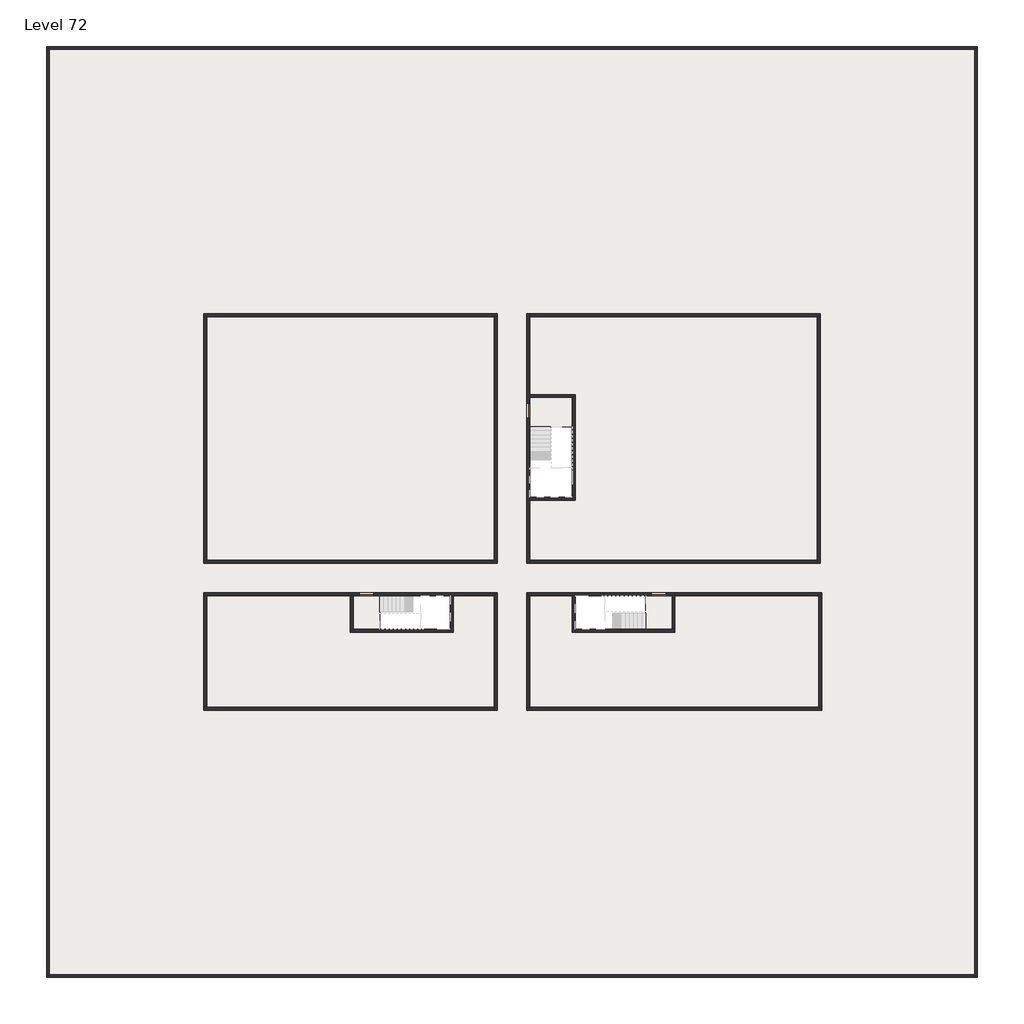
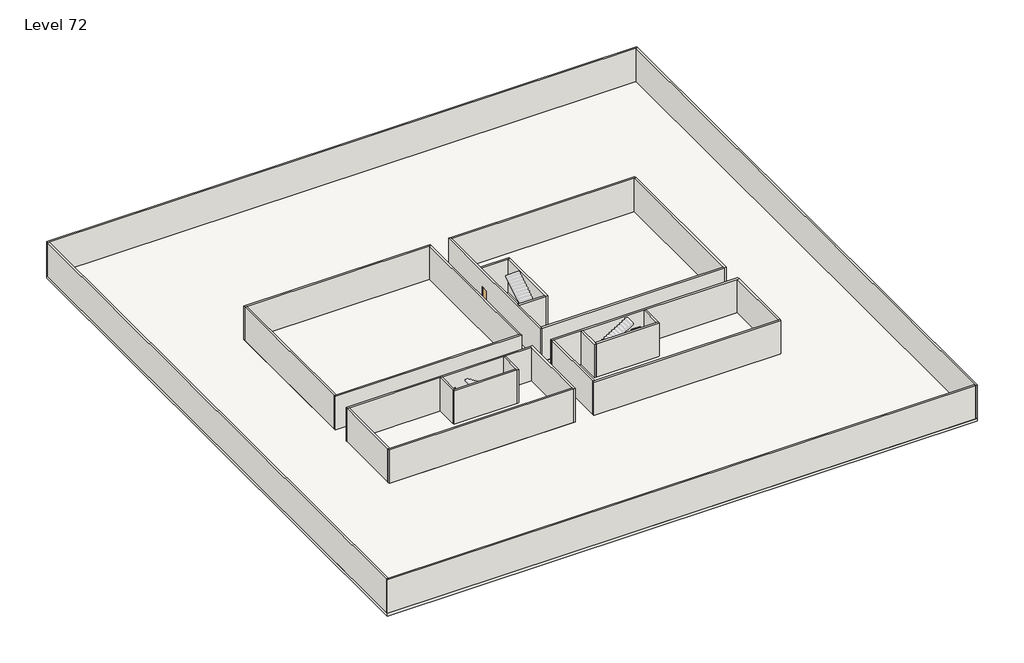
# One storey, part 1 of 2: 29 walls, 3 doors, 3 slabs.
"""IFC4 building model written with IfcOpenShell, lengths in millimetres."""

import ifcopenshell
import ifcopenshell.guid

model = None  # the IFC model being written
_history = None  # IfcOwnerHistory: only IFC2X3 demands one
_inside = {}  # id of a spatial element -> (the spatial element, [elements in it])
_under = {}  # id of a project, library or spatial element -> (it, [spatial elements below it])
_declared = {}  # id of a project -> (the project, [libraries it declares])
_typed = {}  # id of a type object -> (the type object, [elements of that type])
_made_of = {}  # id of a material, layer set ... -> (it, [elements and type objects made of it])


def new_model(schema):
    """Start an empty IFC model of exactly this schema.

    Asked for "IFC4X3", IfcOpenShell would pick the latest addendum, in which some entities
    have other attributes; the version numbers below select the first issue.
    IFC2X3 requires an IfcOwnerHistory on every rooted entity: one is made here for all.
    """
    global model, _history
    if schema == "IFC4X3":
        model = ifcopenshell.file(schema_version=(4, 3, 0, 0))
    else:
        model = ifcopenshell.file(schema=schema)
    _inside.clear()
    _under.clear()
    _declared.clear()
    _typed.clear()
    _made_of.clear()
    _history = None
    if model.schema == "IFC2X3":
        org = make("IfcOrganization", Name="unknown")
        user = make(
            "IfcPersonAndOrganization",
            ThePerson=make("IfcPerson", FamilyName="unknown"),
            TheOrganization=org,
        )
        app = make(
            "IfcApplication",
            ApplicationDeveloper=org,
            Version="unknown",
            ApplicationFullName="unknown",
            ApplicationIdentifier="unknown",
        )
        _history = make(
            "IfcOwnerHistory",
            OwningUser=user,
            OwningApplication=app,
            ChangeAction="ADDED",
            CreationDate=0,
        )
    return model


def make(cls, **values):
    """One entity of the class cls with the attributes given. An attribute that is None is left unset."""
    return model.create_entity(
        cls, **{name: value for name, value in values.items() if value is not None}
    )


def rooted(cls, **values):
    """An entity with a GlobalId (a new one), such as an element, a storey or a relation."""
    return make(cls, GlobalId=ifcopenshell.guid.new(), OwnerHistory=_history, **values)


def si_unit(unit_type, name, prefix=None):
    """IfcSIUnit, for example si_unit("LENGTHUNIT", "METRE", prefix="MILLI")."""
    return make("IfcSIUnit", UnitType=unit_type, Prefix=prefix, Name=name)


def assignment(units):
    """IfcUnitAssignment: the units of a project."""
    return None if units is None else make("IfcUnitAssignment", Units=units)


def point(xyz):
    """IfcCartesianPoint."""
    return None if xyz is None else make("IfcCartesianPoint", Coordinates=xyz)


def direction(xyz):
    """IfcDirection."""
    return None if xyz is None else make("IfcDirection", DirectionRatios=xyz)


def frame(location, z_axis=None, x_axis=None):
    """IfcAxis2Placement3D, a coordinate frame: its origin and axes. An axis left out is left unset."""
    return make(
        "IfcAxis2Placement3D",
        Location=point(location),
        Axis=direction(z_axis),
        RefDirection=direction(x_axis),
    )


def origin():
    """The frame at (0, 0, 0) with its axes left unset."""
    return frame((0.0, 0.0, 0.0))


def origin_with_axes():
    """The frame at (0, 0, 0) with the z axis (0, 0, 1) and the x axis (1, 0, 0) written out."""
    return frame((0.0, 0.0, 0.0), z_axis=(0.0, 0.0, 1.0), x_axis=(1.0, 0.0, 0.0))


def place(relative_to, where):
    """IfcLocalPlacement: puts the frame where relative to a parent placement (None: the world)."""
    return make(
        "IfcLocalPlacement", PlacementRelTo=relative_to, RelativePlacement=where
    )


def context(
    kind, dimensions, precision=None, world=None, true_north=None, identifier=None
):
    """IfcGeometricRepresentationContext, for example the 3D "Model" context."""
    return make(
        "IfcGeometricRepresentationContext",
        ContextIdentifier=identifier,
        ContextType=kind,
        CoordinateSpaceDimension=dimensions,
        Precision=precision,
        WorldCoordinateSystem=world,
        TrueNorth=true_north,
    )


def project(units=None, contexts=None):
    """IfcProject with its units and contexts."""
    return rooted(
        "IfcProject",
        Name="project",
        RepresentationContexts=contexts,
        UnitsInContext=assignment(units),
    )


def spatial(cls, under=None, at=None, **own):
    """A site, building, storey or space (cls), placed at a placement, below another one or the project."""
    s = rooted(cls, ObjectPlacement=at, **own)
    if under is not None:
        _under.setdefault(under.id(), (under, []))[1].append(s)
    return s


def polyline(points):
    """IfcPolyline through the points."""
    return make("IfcPolyline", Points=[point(p) for p in points])


def outline(outer, holes=None, kind="AREA"):
    """IfcArbitraryClosedProfileDef: a profile drawn as a closed curve; with holes, ...WithVoids."""
    if holes is None:
        return make("IfcArbitraryClosedProfileDef", ProfileType=kind, OuterCurve=outer)
    return make(
        "IfcArbitraryProfileDefWithVoids",
        ProfileType=kind,
        OuterCurve=outer,
        InnerCurves=holes,
    )


def extrude(swept, where, along, depth):
    """IfcExtrudedAreaSolid: the profile swept, set in the frame where, extruded along a direction by depth."""
    return make(
        "IfcExtrudedAreaSolid",
        SweptArea=swept,
        Position=where,
        ExtrudedDirection=direction(along),
        Depth=depth,
    )


def faces_of(points, faces, orient=None, outer=None):
    """IfcFace entities. A face is a list of loops; a loop is a list of indices into points, from 0.

    orient and outer hold one flag for each loop. By default every Orientation is true, the
    first loop of a face is its IfcFaceOuterBound and the others are IfcFaceBound.
    """
    made = []
    for i, loops in enumerate(faces):
        bounds = []
        for j, loop in enumerate(loops):
            is_outer = j == 0 if outer is None else outer[i][j]
            bounds.append(
                make(
                    "IfcFaceOuterBound" if is_outer else "IfcFaceBound",
                    Bound=make("IfcPolyLoop", Polygon=[points[k] for k in loop]),
                    Orientation=True if orient is None else orient[i][j],
                )
            )
        made.append(make("IfcFace", Bounds=bounds))
    return made


def faceted_brep(points, faces, orient=None, outer=None, voids=None):
    """IfcFacetedBrep: a solid bounded by flat faces; with voids (closed shells), ...WithVoids."""
    shared = [point(p) for p in points]
    hull = make("IfcClosedShell", CfsFaces=faces_of(shared, faces, orient, outer))
    if voids is None:
        return make("IfcFacetedBrep", Outer=hull)
    return make(
        "IfcFacetedBrepWithVoids",
        Outer=hull,
        Voids=[
            make(cls, CfsFaces=faces_of(shared, fs, o, b)) for cls, fs, o, b in voids
        ],
    )


def shape(context_of_items, identifier, shape_type, items):
    """IfcShapeRepresentation: the items that make up one representation, for example the "Body"."""
    return make(
        "IfcShapeRepresentation",
        ContextOfItems=context_of_items,
        RepresentationIdentifier=identifier,
        RepresentationType=shape_type,
        Items=items,
    )


def source(mapping_origin, context_of_items, identifier, shape_type, items):
    """IfcRepresentationMap: a shape defined once, which mapped items show again and again."""
    return make(
        "IfcRepresentationMap",
        MappingOrigin=mapping_origin,
        MappedRepresentation=shape(context_of_items, identifier, shape_type, items),
    )


def transform(
    local_origin,
    x_axis=None,
    y_axis=None,
    z_axis=None,
    scale=None,
    scale2=None,
    scale3=None,
    uniform=True,
):
    """IfcCartesianTransformationOperator3D, or its non-uniform kind. x_axis, y_axis, z_axis: its Axis1, 2, 3."""
    if uniform:
        return make(
            "IfcCartesianTransformationOperator3D",
            Axis1=direction(x_axis),
            Axis2=direction(y_axis),
            LocalOrigin=point(local_origin),
            Scale=scale,
            Axis3=direction(z_axis),
        )
    return make(
        "IfcCartesianTransformationOperator3DnonUniform",
        Axis1=direction(x_axis),
        Axis2=direction(y_axis),
        LocalOrigin=point(local_origin),
        Scale=scale,
        Axis3=direction(z_axis),
        Scale2=scale2,
        Scale3=scale3,
    )


def mapped(mapping_source, mapping_target):
    """IfcMappedItem: shows the shape of a source again, moved by a transform."""
    return make(
        "IfcMappedItem", MappingSource=mapping_source, MappingTarget=mapping_target
    )


def made_of(thing, what):
    """Note that an element or type object is made of a material, layer set ...; save() writes the relation."""
    if what is not None:
        _made_of.setdefault(what.id(), (what, []))[1].append(thing)
    return thing


def element(
    cls,
    number,
    at=None,
    inside=None,
    cuts=None,
    type_object=None,
    material=None,
    context=None,
    identifier="Body",
    shape_type=None,
    held_by="IfcProductDefinitionShape",
    body=None,
    shapes=None,
    **own,
):
    """One element of the class cls, such as IfcWall. Its Tag is "e" and its number.

    at: its placement. inside: the storey or other place that contains it. cuts: it is an
    opening in that element (IfcRelVoidsElement). A single representation is given by context,
    identifier, shape_type and body (its items); several are given by shapes. held_by: the class
    of the entity that holds the representations. save() writes the other relations.
    """
    e = rooted(cls, Tag="e%d" % number, ObjectPlacement=at, **own)
    if body is not None:
        shapes = [shape(context, identifier, shape_type, body)]
    if shapes is not None:
        e.Representation = make(held_by, Representations=shapes)
    if inside is not None:
        _inside.setdefault(inside.id(), (inside, []))[1].append(e)
    if cuts is not None:
        rooted(
            "IfcRelVoidsElement", RelatingBuildingElement=cuts, RelatedOpeningElement=e
        )
    if type_object is not None:
        _typed.setdefault(type_object.id(), (type_object, []))[1].append(e)
    return made_of(e, material)


def aggregate(whole, parts):
    """IfcRelAggregates: a whole, such as a stair, and the parts it consists of."""
    return rooted("IfcRelAggregates", RelatingObject=whole, RelatedObjects=parts)


def save(model, path):
    """Write the relations noted so far, then the file.

    IfcRelAggregates (storeys below a building ...), IfcRelContainedInSpatialStructure (elements
    in a storey), IfcRelDefinesByType, IfcRelAssociatesMaterial and IfcRelDeclares: one each for
    every whole, place, type object, material and project.
    """
    for whole, parts in _under.values():
        aggregate(whole, parts)
    for where, things in _inside.values():
        rooted(
            "IfcRelContainedInSpatialStructure",
            RelatedElements=things,
            RelatingStructure=where,
        )
    for kind, things in _typed.values():
        rooted("IfcRelDefinesByType", RelatedObjects=things, RelatingType=kind)
    for what, things in _made_of.values():
        rooted("IfcRelAssociatesMaterial", RelatedObjects=things, RelatingMaterial=what)
    for by, libraries in _declared.values():
        rooted("IfcRelDeclares", RelatingContext=by, RelatedDefinitions=libraries)
    model.write(path)


def door_fb3c37fd(model_context):
    return source(origin(), model_context, "Body", "SweptSolid", [
        extrude(outline(polyline([(500.0, 49.0), (-500.0, 49.0), (-500.0, 100.0), (500.0, 100.0), (500.0, 49.0)])), origin_with_axes(), (0.0, 0.0, 1.0), 2100.0),
    ])


def door_0317a72c(model_context):
    return source(origin(), model_context, "Body", "SweptSolid", [
        extrude(outline(polyline([(500.0, -49.0), (500.0, -100.0), (-500.0, -100.0), (-500.0, -49.0), (500.0, -49.0)])), origin_with_axes(), (0.0, 0.0, 1.0), 2100.0),
    ])


model = new_model("IFC4")

# Units and contexts
model_context = context("Model", 3, world=origin())
ifc_project = project(units=[si_unit("LENGTHUNIT", "METRE", prefix="MILLI")], contexts=[model_context])

# Site, building, storey
site = spatial("IfcSite", under=ifc_project)
building = spatial("IfcBuilding", under=site)
storey = spatial("IfcBuildingStorey", under=building, Name="Level 72", Elevation=269800.0)

# Doors
placement = place(None, origin())
door_shape = door_fb3c37fd(model_context)
element("IfcDoor", 1, at=placement, inside=storey, context=model_context, shape_type="MappedRepresentation", body=[
    mapped(door_shape, transform((14290.1058784, -42818.09644, 269800.0), x_axis=(-1.0, 0.0, 0.0), y_axis=(0.0, -1.0, 0.0), z_axis=(0.0, 0.0, 1.0))),
])
door_2_shape = door_0317a72c(model_context)
element("IfcDoor", 2, at=placement, inside=storey, context=model_context, shape_type="MappedRepresentation", body=[
    mapped(door_2_shape, transform((25290.1058784, -30318.09644, 269800.0), x_axis=(0.0, 1.0, 0.0), y_axis=(-1.0, 0.0, 0.0), z_axis=(0.0, 0.0, 1.0))),
])
element("IfcDoor", 3, at=placement, inside=storey, context=model_context, shape_type="MappedRepresentation", body=[
    mapped(door_2_shape, transform((34190.1058784, -42818.09644, 269800.0), x_axis=(1.0, 0.0, 0.0), y_axis=(0.0, 1.0, 0.0), z_axis=(0.0, 0.0, 1.0))),
])

# Slabs
element("IfcSlab", 4, at=placement, inside=storey, context=model_context, shape_type="SweptSolid", body=[
    extrude(outline(polyline([(55890.1058784, -5518.09644), (55890.1058784, -68918.09644), (-7509.8941216, -68918.09644), (-7509.8941216, -5518.09644), (55890.1058784, -5518.09644)]), holes=[polyline([(23190.1058784, -23718.09644), (3190.1058784, -23718.09644), (3190.1058784, -40718.09644), (23190.1058784, -40718.09644), (23190.1058784, -23718.09644)]), polyline([(45190.1058784, -23718.09644), (25190.1058784, -23718.09644), (25190.1058784, -40718.09644), (45190.1058784, -40718.09644), (45190.1058784, -23718.09644)]), polyline([(23190.1058784, -50718.09644), (23190.1058784, -42718.09644), (3390.1058784, -42718.09644), (3390.1058784, -50718.09644), (23190.1058784, -50718.09644)]), polyline([(25190.1058784, -50718.09644), (45190.1058784, -50718.09644), (45190.1058784, -42718.09644), (25190.1058784, -42718.09644), (25190.1058784, -50718.09644)])]), frame((0.0, 0.0, 269500.0), z_axis=(0.0, 0.0, 1.0), x_axis=(1.0, 0.0, 0.0)), (0.0, 0.0, 1.0), 300.0),
])
element("IfcSlab", 5, at=placement, inside=storey, context=model_context, shape_type="SweptSolid", body=[
    extrude(outline(polyline([(22990.1058784, -23918.09644), (22990.1058784, -40518.09644), (3390.1058784, -40518.09644), (3390.1058784, -23918.09644), (22990.1058784, -23918.09644)])), frame((0.0, 0.0, 269500.0), z_axis=(0.0, 0.0, 1.0), x_axis=(1.0, 0.0, 0.0)), (0.0, 0.0, 1.0), 300.0),
    extrude(outline(polyline([(44990.1058784, -23918.09644), (44990.1058784, -40518.09644), (25390.1058784, -40518.09644), (25390.1058784, -36418.09644), (28490.1058784, -36418.09644), (28490.1058784, -29218.09644), (25390.1058784, -29218.09644), (25390.1058784, -23918.09644), (44990.1058784, -23918.09644)])), frame((0.0, 0.0, 269500.0), z_axis=(0.0, 0.0, 1.0), x_axis=(1.0, 0.0, 0.0)), (0.0, 0.0, 1.0), 300.0),
    extrude(outline(polyline([(22990.1058784, -42918.09644), (22990.1058784, -50518.09644), (3390.1058784, -50518.09644), (3390.1058784, -42918.09644), (13190.1058784, -42918.09644), (13190.1058784, -45418.09644), (20190.1058784, -45418.09644), (20190.1058784, -42918.09644), (22990.1058784, -42918.09644)])), frame((0.0, 0.0, 269500.0), z_axis=(0.0, 0.0, 1.0), x_axis=(1.0, 0.0, 0.0)), (0.0, 0.0, 1.0), 300.0),
    extrude(outline(polyline([(28290.1058784, -42918.09644), (28290.1058784, -45418.09644), (35290.1058784, -45418.09644), (35290.1058784, -42918.09644), (45090.1058784, -42918.09644), (45090.1058784, -50518.09644), (25390.1058784, -50518.09644), (25390.1058784, -42918.09644), (28290.1058784, -42918.09644)])), frame((0.0, 0.0, 269500.0), z_axis=(0.0, 0.0, 1.0), x_axis=(1.0, 0.0, 0.0)), (0.0, 0.0, 1.0), 300.0),
])
element("IfcSlab", 6, at=placement, inside=storey, context=model_context, shape_type="SweptSolid", body=[
    extrude(outline(polyline([(25190.1058784, -29418.09644), (28290.1058784, -29418.09644), (28290.1058784, -31418.09644), (25190.1058784, -31418.09644), (25190.1058784, -29418.09644)])), frame((0.0, 0.0, 269500.0), z_axis=(0.0, 0.0, 1.0), x_axis=(1.0, 0.0, 0.0)), (0.0, 0.0, 1.0), 300.0),
    extrude(outline(polyline([(15190.1058784, -45218.09644), (13390.1058784, -45218.09644), (13390.1058784, -42718.09644), (15190.1058784, -42718.09644), (15190.1058784, -45218.09644)])), frame((0.0, 0.0, 269500.0), z_axis=(0.0, 0.0, 1.0), x_axis=(1.0, 0.0, 0.0)), (0.0, 0.0, 1.0), 300.0),
    extrude(outline(polyline([(35090.1058784, -45218.09644), (33290.1058784, -45218.09644), (33290.1058784, -42718.09644), (35090.1058784, -42718.09644), (35090.1058784, -45218.09644)])), frame((0.0, 0.0, 269500.0), z_axis=(0.0, 0.0, 1.0), x_axis=(1.0, 0.0, 0.0)), (0.0, 0.0, 1.0), 300.0),
])

# Walls
element("IfcWall", 7, at=placement, inside=storey, context=model_context, shape_type="Brep", body=[
    faceted_brep([(-7509.8941216, -5718.09644, 269800.0), (-7309.8941216, -5718.09644, 269800.0), (55690.1058784, -5718.09644, 269800.0), (55890.1058784, -5718.09644, 269800.0), (55890.1058784, -5718.09644, 273600.0), (55690.1058784, -5718.09644, 273600.0), (-7309.8941216, -5718.09644, 273600.0), (-7509.8941216, -5718.09644, 273600.0), (-7509.8941216, -5518.09644, 269800.0), (-7509.8941216, -5518.09644, 273600.0), (55890.1058784, -5518.09644, 273600.0), (55890.1058784, -5518.09644, 269800.0)], [[[0, 1, 2, 3, 4, 5, 6, 7]], [[8, 9, 10, 11]], [[3, 2, 1, 0, 8, 11]], [[7, 6, 5, 4, 10, 9]], [[4, 3, 11, 10]], [[0, 7, 9, 8]]]),
])
element("IfcWall", 8, at=placement, inside=storey, context=model_context, shape_type="Brep", body=[
    faceted_brep([(55690.1058784, -5718.09644, 269800.0), (55690.1058784, -68718.09644, 269800.0), (55690.1058784, -68918.09644, 269800.0), (55690.1058784, -68918.09644, 273600.0), (55690.1058784, -68718.09644, 273600.0), (55690.1058784, -5718.09644, 273600.0), (55890.1058784, -5718.09644, 269800.0), (55890.1058784, -5718.09644, 273600.0), (55890.1058784, -68918.09644, 273600.0), (55890.1058784, -68918.09644, 269800.0)], [[[0, 1, 2, 3, 4, 5]], [[6, 7, 8, 9]], [[2, 1, 0, 6, 9]], [[5, 4, 3, 8, 7]], [[0, 5, 7, 6]], [[3, 2, 9, 8]]]),
])
element("IfcWall", 9, at=placement, inside=storey, context=model_context, shape_type="Brep", body=[
    faceted_brep([(55690.1058784, -68718.09644, 269800.0), (-7309.8941216, -68718.09644, 269800.0), (-7509.8941216, -68718.09644, 269800.0), (-7509.8941216, -68718.09644, 273600.0), (-7309.8941216, -68718.09644, 273600.0), (55690.1058784, -68718.09644, 273600.0), (55690.1058784, -68918.09644, 269800.0), (55690.1058784, -68918.09644, 273600.0), (-7509.8941216, -68918.09644, 273600.0), (-7509.8941216, -68918.09644, 269800.0)], [[[0, 1, 2, 3, 4, 5]], [[6, 7, 8, 9]], [[2, 1, 0, 6, 9]], [[5, 4, 3, 8, 7]], [[0, 5, 7, 6]], [[3, 2, 9, 8]]]),
])
element("IfcWall", 10, at=placement, inside=storey, context=model_context, shape_type="SweptSolid", body=[
    extrude(outline(polyline([(-7309.8941216, -5718.09644), (-7309.8941216, -68718.09644), (-7509.8941216, -68718.09644), (-7509.8941216, -5718.09644), (-7309.8941216, -5718.09644)])), frame((0.0, 0.0, 269800.0), z_axis=(0.0, 0.0, 1.0), x_axis=(1.0, 0.0, 0.0)), (0.0, 0.0, 1.0), 3800.0),
])
element("IfcWall", 11, at=placement, inside=storey, context=model_context, shape_type="Brep", body=[
    faceted_brep([(3190.1058784, -23918.09644, 269800.0), (3390.1058784, -23918.09644, 269800.0), (22990.1058784, -23918.09644, 269800.0), (23190.1058784, -23918.09644, 269800.0), (23190.1058784, -23918.09644, 273600.0), (22990.1058784, -23918.09644, 273600.0), (3390.1058784, -23918.09644, 273600.0), (3190.1058784, -23918.09644, 273600.0), (3190.1058784, -23718.09644, 269800.0), (3190.1058784, -23718.09644, 273600.0), (23190.1058784, -23718.09644, 273600.0), (23190.1058784, -23718.09644, 269800.0)], [[[0, 1, 2, 3, 4, 5, 6, 7]], [[8, 9, 10, 11]], [[3, 2, 1, 0, 8, 11]], [[7, 6, 5, 4, 10, 9]], [[0, 7, 9, 8]], [[4, 3, 11, 10]]]),
])
element("IfcWall", 12, at=placement, inside=storey, context=model_context, shape_type="Brep", body=[
    faceted_brep([(44990.1058784, -23918.09644, 269800.0), (44990.1058784, -40518.09644, 269800.0), (44990.1058784, -40718.09644, 269800.0), (44990.1058784, -40718.09644, 273600.0), (44990.1058784, -40518.09644, 273600.0), (44990.1058784, -23918.09644, 273600.0), (45190.1058784, -23918.09644, 269800.0), (45190.1058784, -23918.09644, 273600.0), (45190.1058784, -40718.09644, 273600.0), (45190.1058784, -40718.09644, 269800.0)], [[[0, 1, 2, 3, 4, 5]], [[6, 7, 8, 9]], [[2, 1, 0, 6, 9]], [[5, 4, 3, 8, 7]], [[3, 2, 9, 8]], [[0, 5, 7, 6]]]),
])
element("IfcWall", 13, at=placement, inside=storey, context=model_context, shape_type="Brep", body=[
    faceted_brep([(45290.1058784, -50518.09644, 269800.0), (45090.1058784, -50518.09644, 269800.0), (25390.1058784, -50518.09644, 269800.0), (25190.1058784, -50518.09644, 269800.0), (25190.1058784, -50518.09644, 273600.0), (25390.1058784, -50518.09644, 273600.0), (45090.1058784, -50518.09644, 273600.0), (45290.1058784, -50518.09644, 273600.0), (45290.1058784, -50718.09644, 269800.0), (45290.1058784, -50718.09644, 273600.0), (25190.1058784, -50718.09644, 273600.0), (25190.1058784, -50718.09644, 269800.0)], [[[0, 1, 2, 3, 4, 5, 6, 7]], [[8, 9, 10, 11]], [[3, 2, 1, 0, 8, 11]], [[7, 6, 5, 4, 10, 9]], [[4, 3, 11, 10]], [[0, 7, 9, 8]]]),
])
element("IfcWall", 14, at=placement, inside=storey, context=model_context, shape_type="SweptSolid", body=[
    extrude(outline(polyline([(22990.1058784, -40518.09644), (22990.1058784, -23918.09644), (23190.1058784, -23918.09644), (23190.1058784, -40518.09644), (22990.1058784, -40518.09644)])), frame((0.0, 0.0, 269800.0), z_axis=(0.0, 0.0, 1.0), x_axis=(1.0, 0.0, 0.0)), (0.0, 0.0, 1.0), 3800.0),
])
element("IfcWall", 15, at=placement, inside=storey, context=model_context, shape_type="Brep", body=[
    faceted_brep([(23190.1058784, -40518.09644, 269800.0), (22990.1058784, -40518.09644, 269800.0), (3390.1058784, -40518.09644, 269800.0), (3190.1058784, -40518.09644, 269800.0), (3190.1058784, -40518.09644, 273600.0), (3390.1058784, -40518.09644, 273600.0), (22990.1058784, -40518.09644, 273600.0), (23190.1058784, -40518.09644, 273600.0), (23190.1058784, -40718.09644, 269800.0), (23190.1058784, -40718.09644, 273600.0), (3190.1058784, -40718.09644, 273600.0), (3190.1058784, -40718.09644, 269800.0)], [[[0, 1, 2, 3, 4, 5, 6, 7]], [[8, 9, 10, 11]], [[3, 2, 1, 0, 8, 11]], [[7, 6, 5, 4, 10, 9]], [[4, 3, 11, 10]], [[0, 7, 9, 8]]]),
])
element("IfcWall", 16, at=placement, inside=storey, context=model_context, shape_type="Brep", body=[
    faceted_brep([(3190.1058784, -42918.09644, 269800.0), (3390.1058784, -42918.09644, 269800.0), (13190.1058784, -42918.09644, 269800.0), (13390.1058784, -42918.09644, 269800.0), (13790.1058784, -42918.09644, 269800.0), (13790.1058784, -42918.09644, 271900.0), (14790.1058784, -42918.09644, 271900.0), (14790.1058784, -42918.09644, 269800.0), (19990.1058784, -42918.09644, 269800.0), (20190.1058784, -42918.09644, 269800.0), (22990.1058784, -42918.09644, 269800.0), (22990.1058784, -42918.09644, 273600.0), (20190.1058784, -42918.09644, 273600.0), (19990.1058784, -42918.09644, 273600.0), (13390.1058784, -42918.09644, 273600.0), (13190.1058784, -42918.09644, 273600.0), (3390.1058784, -42918.09644, 273600.0), (3190.1058784, -42918.09644, 273600.0), (13790.1058784, -42718.09644, 271900.0), (13790.1058784, -42718.09644, 269800.0), (3190.1058784, -42718.09644, 269800.0), (3190.1058784, -42718.09644, 273600.0), (22990.1058784, -42718.09644, 273600.0), (22990.1058784, -42718.09644, 269800.0), (14790.1058784, -42718.09644, 269800.0), (14790.1058784, -42718.09644, 271900.0)], [[[0, 1, 2, 3, 4, 5, 6, 7, 8, 9, 10, 11, 12, 13, 14, 15, 16, 17]], [[18, 19, 20, 21, 22, 23, 24, 25]], [[24, 23, 10, 9, 8, 7]], [[20, 19, 4, 3, 2, 1, 0]], [[17, 16, 15, 14, 13, 12, 11, 22, 21]], [[5, 4, 19, 18]], [[6, 5, 18, 25]], [[7, 6, 25, 24]], [[0, 17, 21, 20]], [[11, 10, 23, 22]]]),
])
element("IfcWall", 17, at=placement, inside=storey, context=model_context, shape_type="SweptSolid", body=[
    extrude(outline(polyline([(25390.1058784, -40518.09644), (44990.1058784, -40518.09644), (44990.1058784, -40718.09644), (25390.1058784, -40718.09644), (25390.1058784, -40518.09644)])), frame((0.0, 0.0, 269800.0), z_axis=(0.0, 0.0, 1.0), x_axis=(1.0, 0.0, 0.0)), (0.0, 0.0, 1.0), 3800.0),
])
element("IfcWall", 18, at=placement, inside=storey, context=model_context, shape_type="Brep", body=[
    faceted_brep([(25390.1058784, -29818.09644, 271900.0), (25390.1058784, -29818.09644, 269800.0), (25390.1058784, -29418.09644, 269800.0), (25390.1058784, -29218.09644, 269800.0), (25390.1058784, -23918.09644, 269800.0), (25390.1058784, -23718.09644, 269800.0), (25390.1058784, -23718.09644, 273600.0), (25390.1058784, -23918.09644, 273600.0), (25390.1058784, -29218.09644, 273600.0), (25390.1058784, -29418.09644, 273600.0), (25390.1058784, -36218.09644, 273600.0), (25390.1058784, -36418.09644, 273600.0), (25390.1058784, -40518.09644, 273600.0), (25390.1058784, -40718.09644, 273600.0), (25390.1058784, -40718.09644, 269800.0), (25390.1058784, -40518.09644, 269800.0), (25390.1058784, -36418.09644, 269800.0), (25390.1058784, -36218.09644, 269800.0), (25390.1058784, -30818.09644, 269800.0), (25390.1058784, -30818.09644, 271900.0), (25190.1058784, -23718.09644, 269800.0), (25190.1058784, -29818.09644, 269800.0), (25190.1058784, -29818.09644, 271900.0), (25190.1058784, -30818.09644, 271900.0), (25190.1058784, -30818.09644, 269800.0), (25190.1058784, -40718.09644, 269800.0), (25190.1058784, -40718.09644, 273600.0), (25190.1058784, -23718.09644, 273600.0)], [[[0, 1, 2, 3, 4, 5, 6, 7, 8, 9, 10, 11, 12, 13, 14, 15, 16, 17, 18, 19]], [[20, 21, 22, 23, 24, 25, 26, 27]], [[5, 4, 3, 2, 1, 21, 20]], [[18, 17, 16, 15, 14, 25, 24]], [[13, 12, 11, 10, 9, 8, 7, 6, 27, 26]], [[22, 21, 1, 0]], [[23, 22, 0, 19]], [[24, 23, 19, 18]], [[14, 13, 26, 25]], [[6, 5, 20, 27]]]),
])
element("IfcWall", 19, at=placement, inside=storey, context=model_context, shape_type="SweptSolid", body=[
    extrude(outline(polyline([(3390.1058784, -23918.09644), (3390.1058784, -40518.09644), (3190.1058784, -40518.09644), (3190.1058784, -23918.09644), (3390.1058784, -23918.09644)])), frame((0.0, 0.0, 269800.0), z_axis=(0.0, 0.0, 1.0), x_axis=(1.0, 0.0, 0.0)), (0.0, 0.0, 1.0), 3800.0),
])
element("IfcWall", 20, at=placement, inside=storey, context=model_context, shape_type="Brep", body=[
    faceted_brep([(25390.1058784, -23918.09644, 269800.0), (44990.1058784, -23918.09644, 269800.0), (45190.1058784, -23918.09644, 269800.0), (45190.1058784, -23918.09644, 273600.0), (44990.1058784, -23918.09644, 273600.0), (25390.1058784, -23918.09644, 273600.0), (25390.1058784, -23718.09644, 269800.0), (25390.1058784, -23718.09644, 273600.0), (45190.1058784, -23718.09644, 273600.0), (45190.1058784, -23718.09644, 269800.0)], [[[0, 1, 2, 3, 4, 5]], [[6, 7, 8, 9]], [[2, 1, 0, 6, 9]], [[5, 4, 3, 8, 7]], [[3, 2, 9, 8]], [[0, 5, 7, 6]]]),
])
element("IfcWall", 21, at=placement, inside=storey, context=model_context, shape_type="Brep", body=[
    faceted_brep([(25390.1058784, -29418.09644, 269800.0), (28290.1058784, -29418.09644, 269800.0), (28490.1058784, -29418.09644, 269800.0), (28490.1058784, -29418.09644, 273600.0), (28290.1058784, -29418.09644, 273600.0), (25390.1058784, -29418.09644, 273600.0), (25390.1058784, -29218.09644, 269800.0), (25390.1058784, -29218.09644, 273600.0), (28490.1058784, -29218.09644, 273600.0), (28490.1058784, -29218.09644, 269800.0)], [[[0, 1, 2, 3, 4, 5]], [[6, 7, 8, 9]], [[2, 1, 0, 6, 9]], [[5, 4, 3, 8, 7]], [[3, 2, 9, 8]], [[0, 5, 7, 6]]]),
])
element("IfcWall", 22, at=placement, inside=storey, context=model_context, shape_type="Brep", body=[
    faceted_brep([(28290.1058784, -29418.09644, 269800.0), (28290.1058784, -36218.09644, 269800.0), (28290.1058784, -36418.09644, 269800.0), (28290.1058784, -36418.09644, 273600.0), (28290.1058784, -36218.09644, 273600.0), (28290.1058784, -29418.09644, 273600.0), (28490.1058784, -29418.09644, 269800.0), (28490.1058784, -29418.09644, 273600.0), (28490.1058784, -36418.09644, 273600.0), (28490.1058784, -36418.09644, 269800.0)], [[[0, 1, 2, 3, 4, 5]], [[6, 7, 8, 9]], [[2, 1, 0, 6, 9]], [[5, 4, 3, 8, 7]], [[3, 2, 9, 8]], [[0, 5, 7, 6]]]),
])
element("IfcWall", 23, at=placement, inside=storey, context=model_context, shape_type="SweptSolid", body=[
    extrude(outline(polyline([(25390.1058784, -36218.09644), (28290.1058784, -36218.09644), (28290.1058784, -36418.09644), (25390.1058784, -36418.09644), (25390.1058784, -36218.09644)])), frame((0.0, 0.0, 269800.0), z_axis=(0.0, 0.0, 1.0), x_axis=(1.0, 0.0, 0.0)), (0.0, 0.0, 1.0), 3800.0),
])
element("IfcWall", 24, at=placement, inside=storey, context=model_context, shape_type="SweptSolid", body=[
    extrude(outline(polyline([(25190.1058784, -50518.09644), (25190.1058784, -42918.09644), (25390.1058784, -42918.09644), (25390.1058784, -50518.09644), (25190.1058784, -50518.09644)])), frame((0.0, 0.0, 269800.0), z_axis=(0.0, 0.0, 1.0), x_axis=(1.0, 0.0, 0.0)), (0.0, 0.0, 1.0), 3800.0),
])
element("IfcWall", 25, at=placement, inside=storey, context=model_context, shape_type="Brep", body=[
    faceted_brep([(22990.1058784, -42718.09644, 269800.0), (22990.1058784, -42918.09644, 269800.0), (22990.1058784, -50518.09644, 269800.0), (22990.1058784, -50718.09644, 269800.0), (22990.1058784, -50718.09644, 273600.0), (22990.1058784, -50518.09644, 273600.0), (22990.1058784, -42918.09644, 273600.0), (22990.1058784, -42718.09644, 273600.0), (23190.1058784, -42718.09644, 269800.0), (23190.1058784, -42718.09644, 273600.0), (23190.1058784, -50718.09644, 273600.0), (23190.1058784, -50718.09644, 269800.0)], [[[0, 1, 2, 3, 4, 5, 6, 7]], [[8, 9, 10, 11]], [[3, 2, 1, 0, 8, 11]], [[7, 6, 5, 4, 10, 9]], [[4, 3, 11, 10]], [[0, 7, 9, 8]]]),
])
element("IfcWall", 26, at=placement, inside=storey, context=model_context, shape_type="Brep", body=[
    faceted_brep([(34690.1058784, -42918.09644, 271900.0), (34690.1058784, -42918.09644, 269800.0), (35090.1058784, -42918.09644, 269800.0), (35290.1058784, -42918.09644, 269800.0), (45090.1058784, -42918.09644, 269800.0), (45290.1058784, -42918.09644, 269800.0), (45290.1058784, -42918.09644, 273600.0), (45090.1058784, -42918.09644, 273600.0), (35290.1058784, -42918.09644, 273600.0), (35090.1058784, -42918.09644, 273600.0), (28490.1058784, -42918.09644, 273600.0), (28290.1058784, -42918.09644, 273600.0), (25390.1058784, -42918.09644, 273600.0), (25190.1058784, -42918.09644, 273600.0), (25190.1058784, -42918.09644, 269800.0), (25390.1058784, -42918.09644, 269800.0), (28290.1058784, -42918.09644, 269800.0), (28490.1058784, -42918.09644, 269800.0), (33690.1058784, -42918.09644, 269800.0), (33690.1058784, -42918.09644, 271900.0), (45290.1058784, -42718.09644, 269800.0), (34690.1058784, -42718.09644, 269800.0), (34690.1058784, -42718.09644, 271900.0), (33690.1058784, -42718.09644, 271900.0), (33690.1058784, -42718.09644, 269800.0), (25190.1058784, -42718.09644, 269800.0), (25190.1058784, -42718.09644, 273600.0), (45290.1058784, -42718.09644, 273600.0)], [[[0, 1, 2, 3, 4, 5, 6, 7, 8, 9, 10, 11, 12, 13, 14, 15, 16, 17, 18, 19]], [[20, 21, 22, 23, 24, 25, 26, 27]], [[5, 4, 3, 2, 1, 21, 20]], [[18, 17, 16, 15, 14, 25, 24]], [[13, 12, 11, 10, 9, 8, 7, 6, 27, 26]], [[22, 21, 1, 0]], [[23, 22, 0, 19]], [[24, 23, 19, 18]], [[14, 13, 26, 25]], [[6, 5, 20, 27]]]),
])
element("IfcWall", 27, at=placement, inside=storey, context=model_context, shape_type="Brep", body=[
    faceted_brep([(22990.1058784, -50518.09644, 269800.0), (3390.1058784, -50518.09644, 269800.0), (3190.1058784, -50518.09644, 269800.0), (3190.1058784, -50518.09644, 273600.0), (3390.1058784, -50518.09644, 273600.0), (22990.1058784, -50518.09644, 273600.0), (22990.1058784, -50718.09644, 269800.0), (22990.1058784, -50718.09644, 273600.0), (3190.1058784, -50718.09644, 273600.0), (3190.1058784, -50718.09644, 269800.0)], [[[0, 1, 2, 3, 4, 5]], [[6, 7, 8, 9]], [[2, 1, 0, 6, 9]], [[5, 4, 3, 8, 7]], [[3, 2, 9, 8]], [[0, 5, 7, 6]]]),
])
element("IfcWall", 28, at=placement, inside=storey, context=model_context, shape_type="Brep", body=[
    faceted_brep([(28290.1058784, -42918.09644, 269800.0), (28290.1058784, -45418.09644, 269800.0), (28290.1058784, -45418.09644, 273600.0), (28290.1058784, -42918.09644, 273600.0), (28490.1058784, -42918.09644, 269800.0), (28490.1058784, -42918.09644, 273600.0), (28490.1058784, -45218.09644, 273600.0), (28490.1058784, -45418.09644, 273600.0), (28490.1058784, -45418.09644, 269800.0), (28490.1058784, -45218.09644, 269800.0)], [[[0, 1, 2, 3]], [[4, 5, 6, 7, 8, 9]], [[1, 0, 4, 9, 8]], [[3, 2, 7, 6, 5]], [[2, 1, 8, 7]], [[0, 3, 5, 4]]]),
])
element("IfcWall", 29, at=placement, inside=storey, context=model_context, shape_type="Brep", body=[
    faceted_brep([(28490.1058784, -45418.09644, 269800.0), (35290.1058784, -45418.09644, 269800.0), (35290.1058784, -45418.09644, 273600.0), (28490.1058784, -45418.09644, 273600.0), (28490.1058784, -45218.09644, 269800.0), (28490.1058784, -45218.09644, 273600.0), (35090.1058784, -45218.09644, 273600.0), (35290.1058784, -45218.09644, 273600.0), (35290.1058784, -45218.09644, 269800.0), (35090.1058784, -45218.09644, 269800.0)], [[[0, 1, 2, 3]], [[4, 5, 6, 7, 8, 9]], [[1, 0, 4, 9, 8]], [[3, 2, 7, 6, 5]], [[2, 1, 8, 7]], [[0, 3, 5, 4]]]),
])
element("IfcWall", 30, at=placement, inside=storey, context=model_context, shape_type="SweptSolid", body=[
    extrude(outline(polyline([(35290.1058784, -42918.09644), (35290.1058784, -45218.09644), (35090.1058784, -45218.09644), (35090.1058784, -42918.09644), (35290.1058784, -42918.09644)])), frame((0.0, 0.0, 269800.0), z_axis=(0.0, 0.0, 1.0), x_axis=(1.0, 0.0, 0.0)), (0.0, 0.0, 1.0), 3800.0),
])
element("IfcWall", 31, at=placement, inside=storey, context=model_context, shape_type="Brep", body=[
    faceted_brep([(19990.1058784, -42918.09644, 269800.0), (19990.1058784, -45218.09644, 269800.0), (19990.1058784, -45418.09644, 269800.0), (19990.1058784, -45418.09644, 273600.0), (19990.1058784, -45218.09644, 273600.0), (19990.1058784, -42918.09644, 273600.0), (20190.1058784, -42918.09644, 269800.0), (20190.1058784, -42918.09644, 273600.0), (20190.1058784, -45418.09644, 273600.0), (20190.1058784, -45418.09644, 269800.0)], [[[0, 1, 2, 3, 4, 5]], [[6, 7, 8, 9]], [[2, 1, 0, 6, 9]], [[5, 4, 3, 8, 7]], [[3, 2, 9, 8]], [[0, 5, 7, 6]]]),
])
element("IfcWall", 32, at=placement, inside=storey, context=model_context, shape_type="Brep", body=[
    faceted_brep([(19990.1058784, -45218.09644, 269800.0), (13390.1058784, -45218.09644, 269800.0), (13190.1058784, -45218.09644, 269800.0), (13190.1058784, -45218.09644, 273600.0), (13390.1058784, -45218.09644, 273600.0), (19990.1058784, -45218.09644, 273600.0), (19990.1058784, -45418.09644, 269800.0), (19990.1058784, -45418.09644, 273600.0), (13190.1058784, -45418.09644, 273600.0), (13190.1058784, -45418.09644, 269800.0)], [[[0, 1, 2, 3, 4, 5]], [[6, 7, 8, 9]], [[2, 1, 0, 6, 9]], [[5, 4, 3, 8, 7]], [[0, 5, 7, 6]], [[3, 2, 9, 8]]]),
])
element("IfcWall", 33, at=placement, inside=storey, context=model_context, shape_type="SweptSolid", body=[
    extrude(outline(polyline([(13390.1058784, -42918.09644), (13390.1058784, -45218.09644), (13190.1058784, -45218.09644), (13190.1058784, -42918.09644), (13390.1058784, -42918.09644)])), frame((0.0, 0.0, 269800.0), z_axis=(0.0, 0.0, 1.0), x_axis=(1.0, 0.0, 0.0)), (0.0, 0.0, 1.0), 3800.0),
])
element("IfcWall", 34, at=placement, inside=storey, context=model_context, shape_type="SweptSolid", body=[
    extrude(outline(polyline([(45290.1058784, -42918.09644), (45290.1058784, -50518.09644), (45090.1058784, -50518.09644), (45090.1058784, -42918.09644), (45290.1058784, -42918.09644)])), frame((0.0, 0.0, 269800.0), z_axis=(0.0, 0.0, 1.0), x_axis=(1.0, 0.0, 0.0)), (0.0, 0.0, 1.0), 3800.0),
])
element("IfcWall", 35, at=placement, inside=storey, context=model_context, shape_type="SweptSolid", body=[
    extrude(outline(polyline([(3390.1058784, -42918.09644), (3390.1058784, -50518.09644), (3190.1058784, -50518.09644), (3190.1058784, -42918.09644), (3390.1058784, -42918.09644)])), frame((0.0, 0.0, 269800.0), z_axis=(0.0, 0.0, 1.0), x_axis=(1.0, 0.0, 0.0)), (0.0, 0.0, 1.0), 3800.0),
])

save(model, "model.ifc")
